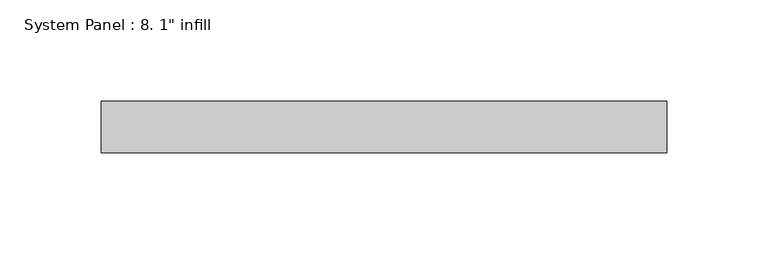
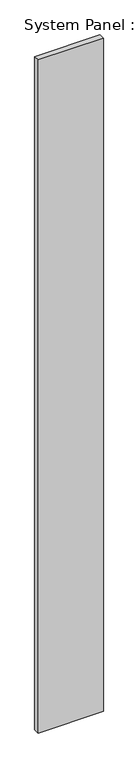
"""IFC4 building model written with IfcOpenShell, lengths in millimetres: plate geometry."""

from ifc_helpers import new_model, si_unit, origin, origin_with_axes, place, context, project, spatial, polyline, outline, extrude, source, transform, mapped, element, save


def plate_fb479536(model_context):
    return source(origin(), model_context, "Body", "SweptSolid", [
        extrude(outline(polyline([(139.7, -25.4), (-139.7, -25.4), (-139.7, 0.0), (139.7, 0.0), (139.7, -25.4)])), origin_with_axes(), (0.0, 0.0, 1.0), 3048.0),
    ])


if __name__ == "__main__":
    model = new_model("IFC4")
    model_context = context("Model", 3, world=origin())
    ifc_project = project(units=[si_unit("LENGTHUNIT", "METRE", prefix="MILLI")], contexts=[model_context])
    site = spatial("IfcSite", under=ifc_project)
    building = spatial("IfcBuilding", under=site)
    placement = place(None, origin())
    plate_shape = plate_fb479536(model_context)
    element("IfcPlate", 1, ObjectType="System Panel : 8. 1\" infill", at=placement, inside=building, context=model_context, shape_type="MappedRepresentation", body=[
        mapped(plate_shape, transform((0.0, 0.0, 0.0), x_axis=(1.0, 0.0, 0.0), y_axis=(0.0, 1.0, 0.0), z_axis=(0.0, 0.0, 1.0))),
    ])
    save(model, "model.ifc")
